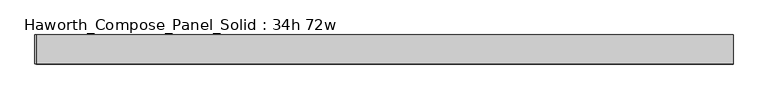
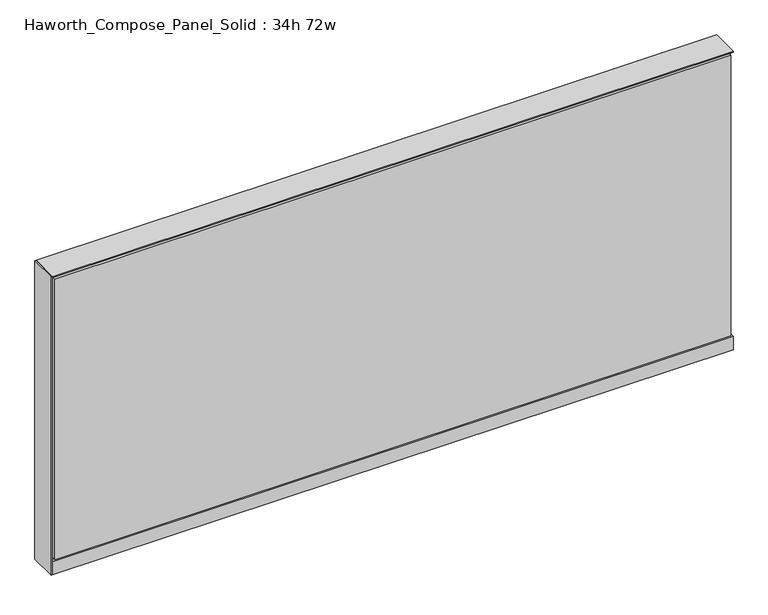
"""IFC4 building model written with IfcOpenShell, lengths in millimetres: furniture geometry, Haworth_Compose_Panel_Solid : 34h 72w."""

from ifc_helpers import new_model, si_unit, point, frame, frame_2d, origin, origin_with_axes, place, context, project, spatial, polyline, circle_curve, trimmed, segment, composite_curve, outline, extrude, source, transform, mapped, element, save


def haworth_compose_panel_solid_34h_72w_4ed8ee80(model_context):
    return source(origin(), model_context, "Body", "SweptSolid", [
        extrude(outline(composite_curve([segment(trimmed(circle_curve(frame_2d((-835.7597098, 0.0)), 12.7), [point((-848.4597098, 0.0))], [point((-823.0597098, 0.0))], False, "CARTESIAN"), True, "CONTINUOUS"), segment(trimmed(circle_curve(frame_2d((-835.7597098, 0.0)), 12.7), [point((-823.0597098, 0.0))], [point((-848.4597098, 0.0))], False, "CARTESIAN"), True, "CONTINUOUS")], self_intersect=False)), origin_with_axes(), (0.0, 0.0, 1.0), 12.7),
        extrude(outline(composite_curve([segment(trimmed(circle_curve(frame_2d((840.6402902, 0.0)), 12.7), [point((827.9402902, 0.0))], [point((853.3402902, 0.0))], False, "CARTESIAN"), True, "CONTINUOUS"), segment(trimmed(circle_curve(frame_2d((840.6402902, 0.0)), 12.7), [point((853.3402902, 0.0))], [point((827.9402902, 0.0))], False, "CARTESIAN"), True, "CONTINUOUS")], self_intersect=False)), origin_with_axes(), (0.0, 0.0, 1.0), 12.7),
        extrude(outline(polyline([(-915.1347098, -38.1), (-915.1347098, 38.1), (-911.9597098, 38.1), (-911.9597098, -38.1), (-915.1347098, -38.1)])), frame((0.0, 0.0, 12.7), z_axis=(0.0, 0.0, 1.0), x_axis=(1.0, 0.0, 0.0)), (0.0, 0.0, 1.0), 847.725),
        extrude(outline(polyline([(910.4902902, -38.1), (-905.6097098, -38.1), (-905.6097098, -25.4), (910.4902902, -25.4), (910.4902902, -38.1)])), frame((0.0, 0.0, 53.975), z_axis=(0.0, 0.0, 1.0), x_axis=(1.0, 0.0, 0.0)), (0.0, 0.0, 1.0), 796.925),
        extrude(outline(polyline([(910.4902902, 38.1), (910.4902902, 25.4), (-905.6097098, 25.4), (-905.6097098, 38.1), (910.4902902, 38.1)])), frame((0.0, 0.0, 669.925), z_axis=(0.0, 0.0, 1.0), x_axis=(1.0, 0.0, 0.0)), (0.0, 0.0, 1.0), 180.975),
        extrude(outline(polyline([(910.4902902, 38.1), (910.4902902, 25.4), (-905.6097098, 25.4), (-905.6097098, 38.1), (910.4902902, 38.1)])), frame((0.0, 0.0, 466.725), z_axis=(0.0, 0.0, 1.0), x_axis=(1.0, 0.0, 0.0)), (0.0, 0.0, 1.0), 200.025),
        extrude(outline(polyline([(910.4902902, 38.1), (910.4902902, 25.4), (-905.6097098, 25.4), (-905.6097098, 38.1), (910.4902902, 38.1)])), frame((0.0, 0.0, 53.975), z_axis=(0.0, 0.0, 1.0), x_axis=(1.0, 0.0, 0.0)), (0.0, 0.0, 1.0), 409.575),
        extrude(outline(polyline([(916.8402902, -25.4), (-911.9597098, -25.4), (-911.9597098, 25.4), (916.8402902, 25.4), (916.8402902, -25.4)])), frame((0.0, 0.0, 12.7), z_axis=(0.0, 0.0, 1.0), x_axis=(1.0, 0.0, 0.0)), (0.0, 0.0, 1.0), 844.55),
        extrude(outline(polyline([(-911.9597098, 38.1), (916.8402902, 38.1), (916.8402902, -38.1), (-911.9597098, -38.1), (-911.9597098, 38.1)])), frame((0.0, 0.0, 12.7), z_axis=(0.0, 0.0, 1.0), x_axis=(1.0, 0.0, 0.0)), (0.0, 0.0, 1.0), 38.1),
        extrude(outline(polyline([(-911.9597098, 38.1), (916.8402902, 38.1), (916.8402902, -38.1), (-911.9597098, -38.1), (-911.9597098, 38.1)])), frame((0.0, 0.0, 857.25), z_axis=(0.0, 0.0, 1.0), x_axis=(1.0, 0.0, 0.0)), (0.0, 0.0, 1.0), 3.175),
    ])


if __name__ == "__main__":
    model = new_model("IFC4")
    model_context = context("Model", 3, world=origin())
    ifc_project = project(units=[si_unit("LENGTHUNIT", "METRE", prefix="MILLI")], contexts=[model_context])
    site = spatial("IfcSite", under=ifc_project)
    building = spatial("IfcBuilding", under=site)
    placement = place(None, origin())
    haworth_compose_panel_solid_34h_72w_shape = haworth_compose_panel_solid_34h_72w_4ed8ee80(model_context)
    element("IfcFurniture", 1, ObjectType="Haworth_Compose_Panel_Solid : 34h 72w", at=placement, inside=building, context=model_context, shape_type="MappedRepresentation", body=[
        mapped(haworth_compose_panel_solid_34h_72w_shape, transform((0.0, 0.0, 0.0), x_axis=(1.0, 0.0, 0.0), y_axis=(0.0, 1.0, 0.0), z_axis=(0.0, 0.0, 1.0))),
    ])
    save(model, "model.ifc")
